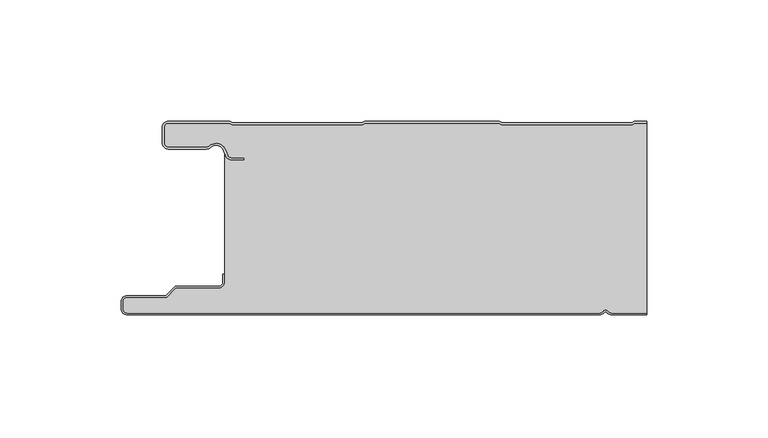
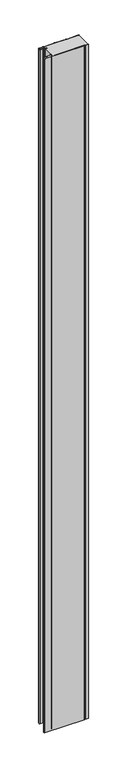
"""IFC4 building model written with IfcOpenShell, lengths in millimetres: plate geometry."""

from ifc_helpers import new_model, si_unit, point, frame_2d, origin, origin_with_axes, place, context, project, spatial, polyline, circle_curve, trimmed, segment, composite_curve, outline, extrude, source, transform, mapped, element, save


def plate_52e1c326(model_context):
    return source(origin(), model_context, "Body", "SweptSolid", [
        extrude(outline(composite_curve([segment(trimmed(circle_curve(frame_2d((-97.49499, -9.0180361)), 2.50501), [point((-97.49499, -11.5230461))], [point((-100.0, -9.0180361))], False, "CARTESIAN"), True, "CONTINUOUS"), segment(polyline([(-100.0, -9.0180361), (-100.0, -2.50501)]), True, "CONTINUOUS"), segment(trimmed(circle_curve(frame_2d((-97.49499, -2.50501)), 2.50501), [point((-100.0, -2.50501))], [point((-97.49499, 0.0))], False, "CARTESIAN"), True, "CONTINUOUS"), segment(polyline([(-97.49499, 0.0), (-72.2103007, 0.0), (-71.028188, -0.6012024), (-17.6391467, -0.6012024), (-16.457034, 0.0), (39.1223647, 0.0), (40.3044773, -0.6012024), (93.6935186, -0.6012024), (94.8756313, 0.0), (100.0, 0.0), (100.0, -0.8), (95.0673777, -0.8), (93.885265, -1.4012024), (40.112731, -1.4012024), (38.9306183, -0.8), (-16.2652876, -0.8), (-17.4474003, -1.4012024), (-71.2199344, -1.4012024), (-72.4020471, -0.8), (-97.49499, -0.8)]), True, "CONTINUOUS"), segment(trimmed(circle_curve(frame_2d((-97.49499, -2.50501)), 1.70501), [point((-97.49499, -0.8))], [point((-99.2, -2.50501))], True, "CARTESIAN"), True, "CONTINUOUS"), segment(polyline([(-99.2, -2.50501), (-99.2, -9.0180361)]), True, "CONTINUOUS"), segment(trimmed(circle_curve(frame_2d((-97.49499, -9.0180361)), 1.70501), [point((-99.2, -9.0180361))], [point((-97.49499, -10.7230461))], True, "CARTESIAN"), True, "CONTINUOUS"), segment(polyline([(-97.49499, -10.7230461), (-81.8173283, -10.7230461)]), True, "CONTINUOUS"), segment(trimmed(circle_curve(frame_2d((-81.8173283, -9.0180361)), 1.70501), [point((-81.8173283, -10.7230461))], [point((-80.6895701, -10.2967936))], True, "CARTESIAN"), True, "CONTINUOUS"), segment(trimmed(circle_curve(frame_2d((-77.8407481, -13.5270541)), 4.307014), [point((-80.6895701, -10.2967936))], [point((-73.7934788, -12.0539686))], False, "CARTESIAN"), True, "CONTINUOUS"), segment(polyline([(-73.7934788, -12.0539686), (-73.0450711, -14.1102019)]), True, "CONTINUOUS"), segment(trimmed(circle_curve(frame_2d((-71.4428858, -13.5270541)), 1.70501), [point((-73.0450711, -14.1102019))], [point((-71.4428858, -15.2320641))], True, "CARTESIAN"), True, "CONTINUOUS"), segment(polyline([(-71.4428858, -15.2320641), (-66.4328657, -15.2320641), (-66.4328657, -16.0320641), (-71.4428858, -16.0320641)]), True, "CONTINUOUS"), segment(trimmed(circle_curve(frame_2d((-71.4428858, -13.5270541)), 2.50501), [point((-71.4428858, -16.0320641))], [point((-73.7968252, -14.383818))], False, "CARTESIAN"), True, "CONTINUOUS"), segment(polyline([(-73.7968252, -14.383818), (-74.5452329, -12.3275847)]), True, "CONTINUOUS"), segment(trimmed(circle_curve(frame_2d((-77.8407481, -13.5270541)), 3.507014), [point((-74.5452329, -12.3275847))], [point((-80.1604199, -10.8967936))], True, "CARTESIAN"), True, "CONTINUOUS"), segment(trimmed(circle_curve(frame_2d((-81.8173283, -9.0180361)), 2.50501), [point((-80.1604199, -10.8967936))], [point((-81.8173283, -11.5230461))], False, "CARTESIAN"), True, "CONTINUOUS"), segment(polyline([(-81.8173283, -11.5230461), (-97.49499, -11.5230461)]), True, "CONTINUOUS")], self_intersect=False)), origin_with_axes(), (0.0, 0.0, 1.0), 3500.0),
        extrude(outline(composite_curve([segment(trimmed(circle_curve(frame_2d((85.5, -77.5)), 1.7), [point((85.5, -79.2))], [point((84.0845596, -78.4415563))], False, "CARTESIAN"), True, "CONTINUOUS"), segment(trimmed(circle_curve(frame_2d((83.0, -79.1630095)), 1.302599), [point((84.0845596, -78.4415563))], [point((81.9154404, -78.4415563))], True, "CARTESIAN"), True, "CONTINUOUS"), segment(trimmed(circle_curve(frame_2d((80.5, -77.5)), 1.7), [point((81.9154404, -78.4415563))], [point((80.5, -79.2))], False, "CARTESIAN"), True, "CONTINUOUS"), segment(polyline([(80.5, -79.2), (-114.5, -79.2)]), True, "CONTINUOUS"), segment(trimmed(circle_curve(frame_2d((-114.5, -77.5)), 1.7), [point((-114.5, -79.2))], [point((-116.2, -77.5))], False, "CARTESIAN"), True, "CONTINUOUS"), segment(polyline([(-116.2, -77.5), (-116.2, -74.5)]), True, "CONTINUOUS"), segment(trimmed(circle_curve(frame_2d((-114.5, -74.5)), 1.7), [point((-116.2, -74.5))], [point((-114.5, -72.8))], False, "CARTESIAN"), True, "CONTINUOUS"), segment(polyline([(-114.5, -72.8), (-98.1686292, -72.8), (-94.4186292, -69.05), (-77.0, -69.05)]), True, "CONTINUOUS"), segment(trimmed(circle_curve(frame_2d((-77.0, -66.25)), 2.8), [point((-77.0, -69.05))], [point((-74.2, -66.25))], True, "CARTESIAN"), True, "CONTINUOUS"), segment(polyline([(-74.2, -66.25), (-74.2, -11.2258973)]), True, "CONTINUOUS"), segment(trimmed(circle_curve(frame_2d((-77.8407481, -13.5270541)), 4.307014), [point((-74.2, -11.2258973))], [point((-80.6895701, -10.2967936))], True, "CARTESIAN"), True, "CONTINUOUS"), segment(trimmed(circle_curve(frame_2d((-81.8173283, -9.0180361)), 1.70501), [point((-80.6895701, -10.2967936))], [point((-81.8173283, -10.7230461))], False, "CARTESIAN"), True, "CONTINUOUS"), segment(polyline([(-81.8173283, -10.7230461), (-97.49499, -10.7230461)]), True, "CONTINUOUS"), segment(trimmed(circle_curve(frame_2d((-97.49499, -9.0180361)), 1.70501), [point((-97.49499, -10.7230461))], [point((-99.2, -9.0180361))], False, "CARTESIAN"), True, "CONTINUOUS"), segment(polyline([(-99.2, -9.0180361), (-99.2, -2.50501)]), True, "CONTINUOUS"), segment(trimmed(circle_curve(frame_2d((-97.49499, -2.50501)), 1.70501), [point((-99.2, -2.50501))], [point((-97.49499, -0.8))], False, "CARTESIAN"), True, "CONTINUOUS"), segment(polyline([(-97.49499, -0.8), (-72.4020471, -0.8), (-71.2199344, -1.4012024), (-17.4474003, -1.4012024), (-16.2652876, -0.8), (38.9306183, -0.8), (40.112731, -1.4012024), (93.885265, -1.4012024), (95.0673777, -0.8), (100.0, -0.8), (100.0, -79.2), (85.5, -79.2)]), True, "CONTINUOUS")], self_intersect=False)), origin_with_axes(), (0.0, 0.0, 1.0), 3500.0),
        extrude(outline(composite_curve([segment(polyline([(80.5, -80.0), (-114.5, -80.0)]), True, "CONTINUOUS"), segment(trimmed(circle_curve(frame_2d((-114.5, -77.5)), 2.5), [point((-114.5, -80.0))], [point((-117.0, -77.5))], False, "CARTESIAN"), True, "CONTINUOUS"), segment(polyline([(-117.0, -77.5), (-117.0, -74.5)]), True, "CONTINUOUS"), segment(trimmed(circle_curve(frame_2d((-114.5, -74.5)), 2.5), [point((-117.0, -74.5))], [point((-114.5, -72.0))], False, "CARTESIAN"), True, "CONTINUOUS"), segment(polyline([(-114.5, -72.0), (-98.5, -72.0), (-94.75, -68.25), (-77.0, -68.25)]), True, "CONTINUOUS"), segment(trimmed(circle_curve(frame_2d((-77.0, -66.25)), 2.0), [point((-77.0, -68.25))], [point((-75.0, -66.25))], True, "CARTESIAN"), True, "CONTINUOUS"), segment(polyline([(-75.0, -66.25), (-75.0, -63.25), (-74.2, -63.25), (-74.2, -66.25)]), True, "CONTINUOUS"), segment(trimmed(circle_curve(frame_2d((-77.0, -66.25)), 2.8), [point((-74.2, -66.25))], [point((-77.0, -69.05))], False, "CARTESIAN"), True, "CONTINUOUS"), segment(polyline([(-77.0, -69.05), (-94.4186292, -69.05), (-98.1686292, -72.8), (-114.5, -72.8)]), True, "CONTINUOUS"), segment(trimmed(circle_curve(frame_2d((-114.5, -74.5)), 1.7), [point((-114.5, -72.8))], [point((-116.2, -74.5))], True, "CARTESIAN"), True, "CONTINUOUS"), segment(polyline([(-116.2, -74.5), (-116.2, -77.5)]), True, "CONTINUOUS"), segment(trimmed(circle_curve(frame_2d((-114.5, -77.5)), 1.7), [point((-116.2, -77.5))], [point((-114.5, -79.2))], True, "CARTESIAN"), True, "CONTINUOUS"), segment(polyline([(-114.5, -79.2), (80.5, -79.2)]), True, "CONTINUOUS"), segment(trimmed(circle_curve(frame_2d((80.5, -77.5)), 1.7), [point((80.5, -79.2))], [point((81.9154404, -78.4415563))], True, "CARTESIAN"), True, "CONTINUOUS"), segment(trimmed(circle_curve(frame_2d((83.0, -79.1630095)), 1.302599), [point((81.9154404, -78.4415563))], [point((84.0845596, -78.4415563))], False, "CARTESIAN"), True, "CONTINUOUS"), segment(trimmed(circle_curve(frame_2d((85.5, -77.5)), 1.7), [point((84.0845596, -78.4415563))], [point((85.5, -79.2))], True, "CARTESIAN"), True, "CONTINUOUS"), segment(polyline([(85.5, -79.2), (100.0, -79.2), (100.0, -80.0), (85.5, -80.0)]), True, "CONTINUOUS"), segment(trimmed(circle_curve(frame_2d((85.5, -77.5)), 2.5), [point((85.5, -80.0))], [point((83.4184699, -78.8846417))], False, "CARTESIAN"), True, "CONTINUOUS"), segment(trimmed(circle_curve(frame_2d((83.0, -79.1630095)), 0.502599), [point((83.4184699, -78.8846417))], [point((82.5815301, -78.8846417))], True, "CARTESIAN"), True, "CONTINUOUS"), segment(trimmed(circle_curve(frame_2d((80.5, -77.5)), 2.5), [point((82.5815301, -78.8846417))], [point((80.5, -80.0))], False, "CARTESIAN"), True, "CONTINUOUS")], self_intersect=False)), origin_with_axes(), (0.0, 0.0, 1.0), 3500.0),
    ])


if __name__ == "__main__":
    model = new_model("IFC4")
    model_context = context("Model", 3, world=origin())
    ifc_project = project(units=[si_unit("LENGTHUNIT", "METRE", prefix="MILLI")], contexts=[model_context])
    site = spatial("IfcSite", under=ifc_project)
    building = spatial("IfcBuilding", under=site)
    placement = place(None, origin())
    plate_shape = plate_52e1c326(model_context)
    element("IfcPlate", 1, at=placement, inside=building, context=model_context, shape_type="MappedRepresentation", body=[
        mapped(plate_shape, transform((0.0, 0.0, 0.0), x_axis=(1.0, 0.0, 0.0), y_axis=(0.0, 1.0, 0.0), z_axis=(0.0, 0.0, 1.0))),
    ])
    save(model, "model.ifc")
